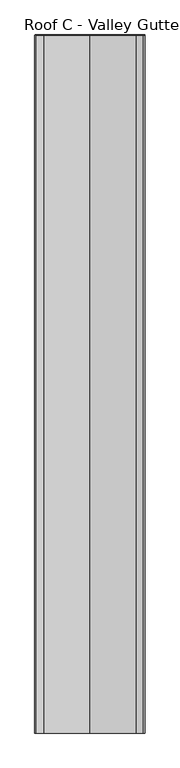
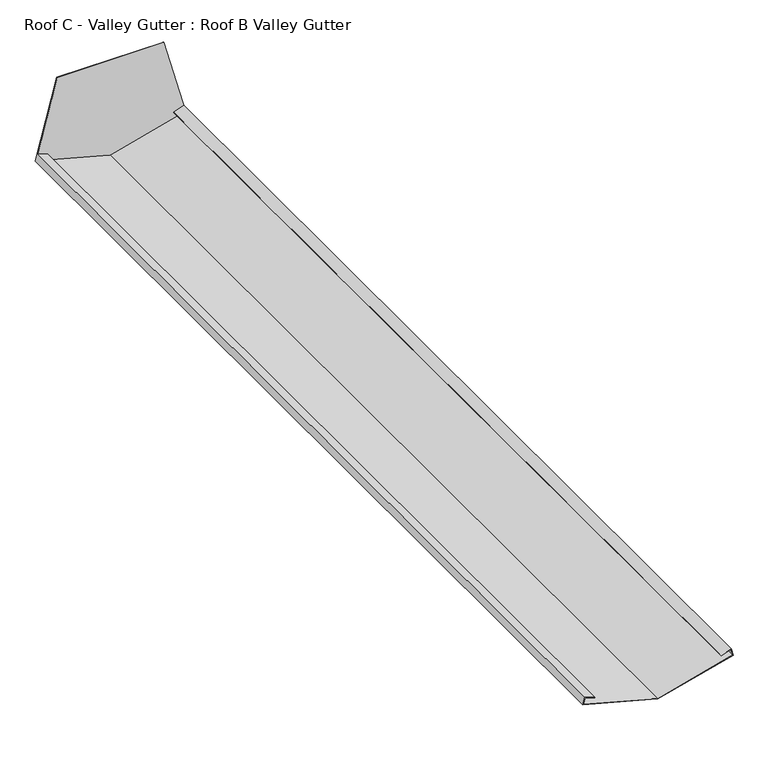
"""IFC4 building model written with IfcOpenShell, lengths in millimetres: proxy geometry, Roof C - Valley Gutter : Roof B Valley Gutter."""

from ifc_helpers import new_model, si_unit, frame, origin, place, context, project, spatial, polyline, outline, extrude, source, transform, mapped, element, save


def roof_c_valley_gutter_roof_b_valley_gutter_074b76cd(model_context):
    return source(origin(), model_context, "Body", "SweptSolid", [
        extrude(outline(polyline([(3179.1073801, 4712.1022225), (3236.1024544, 4924.8107355), (3461.1631719, 4864.505898), (3461.1631719, 4566.5293781), (3234.3947466, 4505.7669617), (3179.1073801, 4712.1022225)])), frame((0.0, -85.5, 0.0), z_axis=(0.0, 1.0, 0.0), x_axis=(0.0, 0.0, 1.0)), (0.0, 0.0, 1.0), 2.0),
        extrude(outline(polyline([(3236.8095612, 4506.4140093), (3255.0739547, 4511.3079388), (3245.1865999, 4538.4732229), (3246.1262925, 4538.815243), (3256.3868968, 4510.6244644), (3236.1024544, 4505.1892645), (3179.8838373, 4715.0), (3236.1024544, 4924.8107355), (3256.3868968, 4919.3755356), (3246.1262925, 4891.184757), (3245.1865999, 4891.5267771), (3255.0739547, 4918.6920612), (3236.8095612, 4923.5859907), (3180.9191134, 4715.0), (3236.8095612, 4506.4140093)])), frame((0.0, -2735.0, 0.0), z_axis=(0.0, 1.0, 0.0), x_axis=(0.0, 0.0, 1.0)), (0.0, 0.0, 1.0), 2649.5),
    ])


if __name__ == "__main__":
    model = new_model("IFC4")
    model_context = context("Model", 3, world=origin())
    ifc_project = project(units=[si_unit("LENGTHUNIT", "METRE", prefix="MILLI")], contexts=[model_context])
    site = spatial("IfcSite", under=ifc_project)
    building = spatial("IfcBuilding", under=site)
    placement = place(None, origin())
    roof_c_valley_gutter_roof_b_valley_gutter_shape = roof_c_valley_gutter_roof_b_valley_gutter_074b76cd(model_context)
    element("IfcBuildingElementProxy", 1, Name="Roof C - Valley Gutter : Roof B Valley Gutter", ObjectType="Roof C - Valley Gutter : Roof B Valley Gutter", at=placement, inside=building, context=model_context, shape_type="MappedRepresentation", body=[
        mapped(roof_c_valley_gutter_roof_b_valley_gutter_shape, transform((0.0, 0.0, 0.0), x_axis=(1.0, 0.0, 0.0), y_axis=(0.0, 1.0, 0.0), z_axis=(0.0, 0.0, 1.0))),
    ])
    save(model, "model.ifc")
